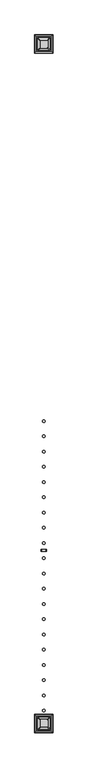
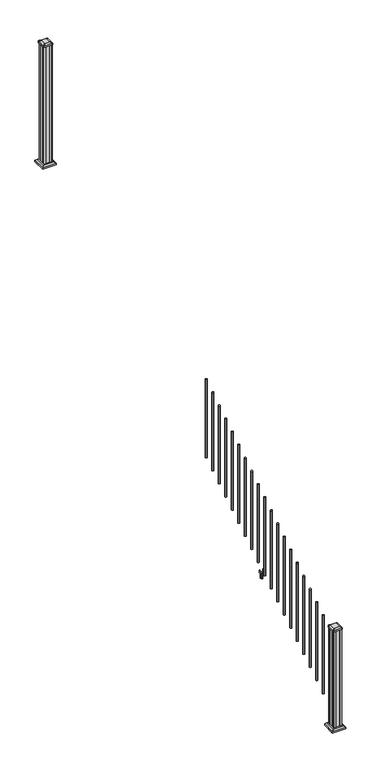
"""IFC4 building model written with IfcOpenShell, lengths in millimetres: railing geometry."""

from ifc_helpers import new_model, si_unit, point, frame, frame_2d, origin, place, context, project, spatial, polyline, circle_curve, trimmed, segment, composite_curve, outline, extrude, faceted_brep, source, transform, mapped, element, save
from ifc_brep_helpers import plane_surface, extruded_surface, advanced_brep


def railing_4edb070d(model_context):
    return source(origin(), model_context, "Body", "SolidModel", [
        extrude(outline(composite_curve([segment(trimmed(circle_curve(frame_2d((8384.9942659, -14647.7074681)), 9.525), [point((8375.4692659, -14647.7074681))], [point((8384.9942659, -14638.1824681))], False, "CARTESIAN"), True, "CONTINUOUS"), segment(trimmed(circle_curve(frame_2d((8384.9942659, -14647.7074681)), 9.525), [point((8384.9942659, -14638.1824681))], [point((8394.5192659, -14647.7074681))], False, "CARTESIAN"), True, "CONTINUOUS"), segment(trimmed(circle_curve(frame_2d((8384.9942659, -14647.7074681)), 9.525), [point((8394.5192659, -14647.7074681))], [point((8384.9942659, -14657.2324681))], False, "CARTESIAN"), True, "CONTINUOUS"), segment(trimmed(circle_curve(frame_2d((8384.9942659, -14647.7074681)), 9.525), [point((8384.9942659, -14657.2324681))], [point((8375.4692659, -14647.7074681))], False, "CARTESIAN"), True, "CONTINUOUS")], self_intersect=False)), frame((0.0, 0.0, 1645.9158781), z_axis=(0.0, 0.0, 1.0), x_axis=(1.0, 0.0, 0.0)), (0.0, 0.0, 1.0), 812.8041219),
        extrude(outline(composite_curve([segment(trimmed(circle_curve(frame_2d((8384.9942659, -14758.9594681)), 9.525), [point((8375.4692659, -14758.9594681))], [point((8384.9942659, -14749.4344681))], False, "CARTESIAN"), True, "CONTINUOUS"), segment(trimmed(circle_curve(frame_2d((8384.9942659, -14758.9594681)), 9.525), [point((8384.9942659, -14749.4344681))], [point((8394.5192659, -14758.9594681))], False, "CARTESIAN"), True, "CONTINUOUS"), segment(trimmed(circle_curve(frame_2d((8384.9942659, -14758.9594681)), 9.525), [point((8394.5192659, -14758.9594681))], [point((8384.9942659, -14768.4844681))], False, "CARTESIAN"), True, "CONTINUOUS"), segment(trimmed(circle_curve(frame_2d((8384.9942659, -14758.9594681)), 9.525), [point((8384.9942659, -14768.4844681))], [point((8375.4692659, -14758.9594681))], False, "CARTESIAN"), True, "CONTINUOUS")], self_intersect=False)), frame((0.0, 0.0, 1576.3833781), z_axis=(0.0, 0.0, 1.0), x_axis=(1.0, 0.0, 0.0)), (0.0, 0.0, 1.0), 812.8041219),
        extrude(outline(composite_curve([segment(trimmed(circle_curve(frame_2d((8384.9942659, -14870.2114681)), 9.525), [point((8375.4692659, -14870.2114681))], [point((8384.9942659, -14860.6864681))], False, "CARTESIAN"), True, "CONTINUOUS"), segment(trimmed(circle_curve(frame_2d((8384.9942659, -14870.2114681)), 9.525), [point((8384.9942659, -14860.6864681))], [point((8394.5192659, -14870.2114681))], False, "CARTESIAN"), True, "CONTINUOUS"), segment(trimmed(circle_curve(frame_2d((8384.9942659, -14870.2114681)), 9.525), [point((8394.5192659, -14870.2114681))], [point((8384.9942659, -14879.7364681))], False, "CARTESIAN"), True, "CONTINUOUS"), segment(trimmed(circle_curve(frame_2d((8384.9942659, -14870.2114681)), 9.525), [point((8384.9942659, -14879.7364681))], [point((8375.4692659, -14870.2114681))], False, "CARTESIAN"), True, "CONTINUOUS")], self_intersect=False)), frame((0.0, 0.0, 1506.8508781), z_axis=(0.0, 0.0, 1.0), x_axis=(1.0, 0.0, 0.0)), (0.0, 0.0, 1.0), 812.8041219),
        extrude(outline(composite_curve([segment(trimmed(circle_curve(frame_2d((8384.9942659, -14981.4634681)), 9.525), [point((8375.4692659, -14981.4634681))], [point((8384.9942659, -14971.9384681))], False, "CARTESIAN"), True, "CONTINUOUS"), segment(trimmed(circle_curve(frame_2d((8384.9942659, -14981.4634681)), 9.525), [point((8384.9942659, -14971.9384681))], [point((8394.5192659, -14981.4634681))], False, "CARTESIAN"), True, "CONTINUOUS"), segment(trimmed(circle_curve(frame_2d((8384.9942659, -14981.4634681)), 9.525), [point((8394.5192659, -14981.4634681))], [point((8384.9942659, -14990.9884681))], False, "CARTESIAN"), True, "CONTINUOUS"), segment(trimmed(circle_curve(frame_2d((8384.9942659, -14981.4634681)), 9.525), [point((8384.9942659, -14990.9884681))], [point((8375.4692659, -14981.4634681))], False, "CARTESIAN"), True, "CONTINUOUS")], self_intersect=False)), frame((0.0, 0.0, 1437.3183781), z_axis=(0.0, 0.0, 1.0), x_axis=(1.0, 0.0, 0.0)), (0.0, 0.0, 1.0), 812.8041219),
        extrude(outline(composite_curve([segment(trimmed(circle_curve(frame_2d((8384.9942659, -15092.7154681)), 9.525), [point((8375.4692659, -15092.7154681))], [point((8384.9942659, -15083.1904681))], False, "CARTESIAN"), True, "CONTINUOUS"), segment(trimmed(circle_curve(frame_2d((8384.9942659, -15092.7154681)), 9.525), [point((8384.9942659, -15083.1904681))], [point((8394.5192659, -15092.7154681))], False, "CARTESIAN"), True, "CONTINUOUS"), segment(trimmed(circle_curve(frame_2d((8384.9942659, -15092.7154681)), 9.525), [point((8394.5192659, -15092.7154681))], [point((8384.9942659, -15102.2404681))], False, "CARTESIAN"), True, "CONTINUOUS"), segment(trimmed(circle_curve(frame_2d((8384.9942659, -15092.7154681)), 9.525), [point((8384.9942659, -15102.2404681))], [point((8375.4692659, -15092.7154681))], False, "CARTESIAN"), True, "CONTINUOUS")], self_intersect=False)), frame((0.0, 0.0, 1367.7858781), z_axis=(0.0, 0.0, 1.0), x_axis=(1.0, 0.0, 0.0)), (0.0, 0.0, 1.0), 812.8041219),
        extrude(outline(composite_curve([segment(trimmed(circle_curve(frame_2d((8384.9942659, -15203.9674681)), 9.525), [point((8375.4692659, -15203.9674681))], [point((8384.9942659, -15194.4424681))], False, "CARTESIAN"), True, "CONTINUOUS"), segment(trimmed(circle_curve(frame_2d((8384.9942659, -15203.9674681)), 9.525), [point((8384.9942659, -15194.4424681))], [point((8394.5192659, -15203.9674681))], False, "CARTESIAN"), True, "CONTINUOUS"), segment(trimmed(circle_curve(frame_2d((8384.9942659, -15203.9674681)), 9.525), [point((8394.5192659, -15203.9674681))], [point((8384.9942659, -15213.4924681))], False, "CARTESIAN"), True, "CONTINUOUS"), segment(trimmed(circle_curve(frame_2d((8384.9942659, -15203.9674681)), 9.525), [point((8384.9942659, -15213.4924681))], [point((8375.4692659, -15203.9674681))], False, "CARTESIAN"), True, "CONTINUOUS")], self_intersect=False)), frame((0.0, 0.0, 1298.2533781), z_axis=(0.0, 0.0, 1.0), x_axis=(1.0, 0.0, 0.0)), (0.0, 0.0, 1.0), 812.8041219),
        extrude(outline(composite_curve([segment(trimmed(circle_curve(frame_2d((8384.9942659, -15315.2194681)), 9.525), [point((8375.4692659, -15315.2194681))], [point((8384.9942659, -15305.6944681))], False, "CARTESIAN"), True, "CONTINUOUS"), segment(trimmed(circle_curve(frame_2d((8384.9942659, -15315.2194681)), 9.525), [point((8384.9942659, -15305.6944681))], [point((8394.5192659, -15315.2194681))], False, "CARTESIAN"), True, "CONTINUOUS"), segment(trimmed(circle_curve(frame_2d((8384.9942659, -15315.2194681)), 9.525), [point((8394.5192659, -15315.2194681))], [point((8384.9942659, -15324.7444681))], False, "CARTESIAN"), True, "CONTINUOUS"), segment(trimmed(circle_curve(frame_2d((8384.9942659, -15315.2194681)), 9.525), [point((8384.9942659, -15324.7444681))], [point((8375.4692659, -15315.2194681))], False, "CARTESIAN"), True, "CONTINUOUS")], self_intersect=False)), frame((0.0, 0.0, 1228.7208781), z_axis=(0.0, 0.0, 1.0), x_axis=(1.0, 0.0, 0.0)), (0.0, 0.0, 1.0), 812.8041219),
        extrude(outline(composite_curve([segment(trimmed(circle_curve(frame_2d((8384.9942659, -15426.4714681)), 9.525), [point((8375.4692659, -15426.4714681))], [point((8384.9942659, -15416.9464681))], False, "CARTESIAN"), True, "CONTINUOUS"), segment(trimmed(circle_curve(frame_2d((8384.9942659, -15426.4714681)), 9.525), [point((8384.9942659, -15416.9464681))], [point((8394.5192659, -15426.4714681))], False, "CARTESIAN"), True, "CONTINUOUS"), segment(trimmed(circle_curve(frame_2d((8384.9942659, -15426.4714681)), 9.525), [point((8394.5192659, -15426.4714681))], [point((8384.9942659, -15435.9964681))], False, "CARTESIAN"), True, "CONTINUOUS"), segment(trimmed(circle_curve(frame_2d((8384.9942659, -15426.4714681)), 9.525), [point((8384.9942659, -15435.9964681))], [point((8375.4692659, -15426.4714681))], False, "CARTESIAN"), True, "CONTINUOUS")], self_intersect=False)), frame((0.0, 0.0, 1159.1883781), z_axis=(0.0, 0.0, 1.0), x_axis=(1.0, 0.0, 0.0)), (0.0, 0.0, 1.0), 812.8041219),
        extrude(outline(composite_curve([segment(trimmed(circle_curve(frame_2d((8384.9942659, -15537.7234681)), 9.525), [point((8375.4692659, -15537.7234681))], [point((8384.9942659, -15528.1984681))], False, "CARTESIAN"), True, "CONTINUOUS"), segment(trimmed(circle_curve(frame_2d((8384.9942659, -15537.7234681)), 9.525), [point((8384.9942659, -15528.1984681))], [point((8394.5192659, -15537.7234681))], False, "CARTESIAN"), True, "CONTINUOUS"), segment(trimmed(circle_curve(frame_2d((8384.9942659, -15537.7234681)), 9.525), [point((8394.5192659, -15537.7234681))], [point((8384.9942659, -15547.2484681))], False, "CARTESIAN"), True, "CONTINUOUS"), segment(trimmed(circle_curve(frame_2d((8384.9942659, -15537.7234681)), 9.525), [point((8384.9942659, -15547.2484681))], [point((8375.4692659, -15537.7234681))], False, "CARTESIAN"), True, "CONTINUOUS")], self_intersect=False)), frame((0.0, 0.0, 1089.6558781), z_axis=(0.0, 0.0, 1.0), x_axis=(1.0, 0.0, 0.0)), (0.0, 0.0, 1.0), 812.8041219),
        extrude(outline(polyline([(1041.2203979, 8403.1552647), (1041.2203979, 8401.1232651), (1040.2043953, 8400.1072653), (1029.7686081, 8400.1072653), (1028.7526073, 8401.1232651), (1016.762001, 8401.1232651), (1016.0000019, 8400.361266), (1016.0000019, 8369.6272648), (1016.762001, 8368.8652657), (1028.7526073, 8368.8652657), (1029.7686081, 8369.8812655), (1040.2043953, 8369.8812655), (1041.2203979, 8368.8652657), (1041.2203979, 8366.8332661), (1040.4583969, 8366.0712651), (1013.9680023, 8366.0712651), (1013.2060013, 8366.8332661), (1013.2060013, 8376.8662651), (1012.4440012, 8377.6282652), (953.262001, 8377.6282652), (952.5, 8378.3902663), (952.5, 8391.5982655), (953.2620001, 8392.3602656), (1012.4440012, 8392.3602656), (1013.2060013, 8393.1222657), (1013.2060013, 8403.1552647), (1013.9680023, 8403.9172657), (1040.4583969, 8403.9172657), (1041.2203979, 8403.1552647)]), holes=[polyline([(1013.2060013, 8381.5652655), (1013.2060013, 8388.4232653), (1012.4440012, 8389.1852654), (956.4370003, 8389.1852654), (955.6750031, 8388.4232682), (955.6750031, 8381.5652655), (956.4370031, 8380.8032654), (1012.4440012, 8380.8032654), (1013.2060013, 8381.5652655)])]), frame((0.0, -15600.7154681, 0.0), z_axis=(0.0, 1.0, 0.0), x_axis=(0.0, 0.0, 1.0)), (0.0, 0.0, 1.0), 14.732),
        extrude(outline(composite_curve([segment(trimmed(circle_curve(frame_2d((8384.9942659, -15648.9754681)), 9.525), [point((8375.4692659, -15648.9754681))], [point((8384.9942659, -15639.4504681))], False, "CARTESIAN"), True, "CONTINUOUS"), segment(trimmed(circle_curve(frame_2d((8384.9942659, -15648.9754681)), 9.525), [point((8384.9942659, -15639.4504681))], [point((8394.5192659, -15648.9754681))], False, "CARTESIAN"), True, "CONTINUOUS"), segment(trimmed(circle_curve(frame_2d((8384.9942659, -15648.9754681)), 9.525), [point((8394.5192659, -15648.9754681))], [point((8384.9942659, -15658.5004681))], False, "CARTESIAN"), True, "CONTINUOUS"), segment(trimmed(circle_curve(frame_2d((8384.9942659, -15648.9754681)), 9.525), [point((8384.9942659, -15658.5004681))], [point((8375.4692659, -15648.9754681))], False, "CARTESIAN"), True, "CONTINUOUS")], self_intersect=False)), frame((0.0, 0.0, 1020.1233781), z_axis=(0.0, 0.0, 1.0), x_axis=(1.0, 0.0, 0.0)), (0.0, 0.0, 1.0), 812.8041219),
        extrude(outline(composite_curve([segment(trimmed(circle_curve(frame_2d((8384.9942659, -15760.2274681)), 9.525), [point((8375.4692659, -15760.2274681))], [point((8384.9942659, -15750.7024681))], False, "CARTESIAN"), True, "CONTINUOUS"), segment(trimmed(circle_curve(frame_2d((8384.9942659, -15760.2274681)), 9.525), [point((8384.9942659, -15750.7024681))], [point((8394.5192659, -15760.2274681))], False, "CARTESIAN"), True, "CONTINUOUS"), segment(trimmed(circle_curve(frame_2d((8384.9942659, -15760.2274681)), 9.525), [point((8394.5192659, -15760.2274681))], [point((8384.9942659, -15769.7524681))], False, "CARTESIAN"), True, "CONTINUOUS"), segment(trimmed(circle_curve(frame_2d((8384.9942659, -15760.2274681)), 9.525), [point((8384.9942659, -15769.7524681))], [point((8375.4692659, -15760.2274681))], False, "CARTESIAN"), True, "CONTINUOUS")], self_intersect=False)), frame((0.0, 0.0, 950.5908781), z_axis=(0.0, 0.0, 1.0), x_axis=(1.0, 0.0, 0.0)), (0.0, 0.0, 1.0), 812.8041219),
        extrude(outline(composite_curve([segment(trimmed(circle_curve(frame_2d((8384.9942659, -15871.4794681)), 9.525), [point((8375.4692659, -15871.4794681))], [point((8384.9942659, -15861.9544681))], False, "CARTESIAN"), True, "CONTINUOUS"), segment(trimmed(circle_curve(frame_2d((8384.9942659, -15871.4794681)), 9.525), [point((8384.9942659, -15861.9544681))], [point((8394.5192659, -15871.4794681))], False, "CARTESIAN"), True, "CONTINUOUS"), segment(trimmed(circle_curve(frame_2d((8384.9942659, -15871.4794681)), 9.525), [point((8394.5192659, -15871.4794681))], [point((8384.9942659, -15881.0044681))], False, "CARTESIAN"), True, "CONTINUOUS"), segment(trimmed(circle_curve(frame_2d((8384.9942659, -15871.4794681)), 9.525), [point((8384.9942659, -15881.0044681))], [point((8375.4692659, -15871.4794681))], False, "CARTESIAN"), True, "CONTINUOUS")], self_intersect=False)), frame((0.0, 0.0, 881.0583781), z_axis=(0.0, 0.0, 1.0), x_axis=(1.0, 0.0, 0.0)), (0.0, 0.0, 1.0), 812.8041219),
        extrude(outline(composite_curve([segment(trimmed(circle_curve(frame_2d((8384.9942659, -15982.7314681)), 9.525), [point((8375.4692659, -15982.7314681))], [point((8384.9942659, -15973.2064681))], False, "CARTESIAN"), True, "CONTINUOUS"), segment(trimmed(circle_curve(frame_2d((8384.9942659, -15982.7314681)), 9.525), [point((8384.9942659, -15973.2064681))], [point((8394.5192659, -15982.7314681))], False, "CARTESIAN"), True, "CONTINUOUS"), segment(trimmed(circle_curve(frame_2d((8384.9942659, -15982.7314681)), 9.525), [point((8394.5192659, -15982.7314681))], [point((8384.9942659, -15992.2564681))], False, "CARTESIAN"), True, "CONTINUOUS"), segment(trimmed(circle_curve(frame_2d((8384.9942659, -15982.7314681)), 9.525), [point((8384.9942659, -15992.2564681))], [point((8375.4692659, -15982.7314681))], False, "CARTESIAN"), True, "CONTINUOUS")], self_intersect=False)), frame((0.0, 0.0, 811.5258781), z_axis=(0.0, 0.0, 1.0), x_axis=(1.0, 0.0, 0.0)), (0.0, 0.0, 1.0), 812.8041219),
        extrude(outline(composite_curve([segment(trimmed(circle_curve(frame_2d((8384.9942659, -16093.9834681)), 9.525), [point((8375.4692659, -16093.9834681))], [point((8384.9942659, -16084.4584681))], False, "CARTESIAN"), True, "CONTINUOUS"), segment(trimmed(circle_curve(frame_2d((8384.9942659, -16093.9834681)), 9.525), [point((8384.9942659, -16084.4584681))], [point((8394.5192659, -16093.9834681))], False, "CARTESIAN"), True, "CONTINUOUS"), segment(trimmed(circle_curve(frame_2d((8384.9942659, -16093.9834681)), 9.525), [point((8394.5192659, -16093.9834681))], [point((8384.9942659, -16103.5084681))], False, "CARTESIAN"), True, "CONTINUOUS"), segment(trimmed(circle_curve(frame_2d((8384.9942659, -16093.9834681)), 9.525), [point((8384.9942659, -16103.5084681))], [point((8375.4692659, -16093.9834681))], False, "CARTESIAN"), True, "CONTINUOUS")], self_intersect=False)), frame((0.0, 0.0, 741.9933781), z_axis=(0.0, 0.0, 1.0), x_axis=(1.0, 0.0, 0.0)), (0.0, 0.0, 1.0), 812.8041219),
        extrude(outline(composite_curve([segment(trimmed(circle_curve(frame_2d((8384.9942659, -16205.2354681)), 9.525), [point((8375.4692659, -16205.2354681))], [point((8384.9942659, -16195.7104681))], False, "CARTESIAN"), True, "CONTINUOUS"), segment(trimmed(circle_curve(frame_2d((8384.9942659, -16205.2354681)), 9.525), [point((8384.9942659, -16195.7104681))], [point((8394.5192659, -16205.2354681))], False, "CARTESIAN"), True, "CONTINUOUS"), segment(trimmed(circle_curve(frame_2d((8384.9942659, -16205.2354681)), 9.525), [point((8394.5192659, -16205.2354681))], [point((8384.9942659, -16214.7604681))], False, "CARTESIAN"), True, "CONTINUOUS"), segment(trimmed(circle_curve(frame_2d((8384.9942659, -16205.2354681)), 9.525), [point((8384.9942659, -16214.7604681))], [point((8375.4692659, -16205.2354681))], False, "CARTESIAN"), True, "CONTINUOUS")], self_intersect=False)), frame((0.0, 0.0, 672.4608781), z_axis=(0.0, 0.0, 1.0), x_axis=(1.0, 0.0, 0.0)), (0.0, 0.0, 1.0), 812.8041219),
        extrude(outline(composite_curve([segment(trimmed(circle_curve(frame_2d((8384.9942659, -16316.4874681)), 9.525), [point((8375.4692659, -16316.4874681))], [point((8384.9942659, -16306.9624681))], False, "CARTESIAN"), True, "CONTINUOUS"), segment(trimmed(circle_curve(frame_2d((8384.9942659, -16316.4874681)), 9.525), [point((8384.9942659, -16306.9624681))], [point((8394.5192659, -16316.4874681))], False, "CARTESIAN"), True, "CONTINUOUS"), segment(trimmed(circle_curve(frame_2d((8384.9942659, -16316.4874681)), 9.525), [point((8394.5192659, -16316.4874681))], [point((8384.9942659, -16326.0124681))], False, "CARTESIAN"), True, "CONTINUOUS"), segment(trimmed(circle_curve(frame_2d((8384.9942659, -16316.4874681)), 9.525), [point((8384.9942659, -16326.0124681))], [point((8375.4692659, -16316.4874681))], False, "CARTESIAN"), True, "CONTINUOUS")], self_intersect=False)), frame((0.0, 0.0, 602.9283781), z_axis=(0.0, 0.0, 1.0), x_axis=(1.0, 0.0, 0.0)), (0.0, 0.0, 1.0), 812.8041219),
        extrude(outline(composite_curve([segment(trimmed(circle_curve(frame_2d((8384.9942659, -16427.7394681)), 9.525), [point((8375.4692659, -16427.7394681))], [point((8384.9942659, -16418.2144681))], False, "CARTESIAN"), True, "CONTINUOUS"), segment(trimmed(circle_curve(frame_2d((8384.9942659, -16427.7394681)), 9.525), [point((8384.9942659, -16418.2144681))], [point((8394.5192659, -16427.7394681))], False, "CARTESIAN"), True, "CONTINUOUS"), segment(trimmed(circle_curve(frame_2d((8384.9942659, -16427.7394681)), 9.525), [point((8394.5192659, -16427.7394681))], [point((8384.9942659, -16437.2644681))], False, "CARTESIAN"), True, "CONTINUOUS"), segment(trimmed(circle_curve(frame_2d((8384.9942659, -16427.7394681)), 9.525), [point((8384.9942659, -16437.2644681))], [point((8375.4692659, -16427.7394681))], False, "CARTESIAN"), True, "CONTINUOUS")], self_intersect=False)), frame((0.0, 0.0, 533.3958781), z_axis=(0.0, 0.0, 1.0), x_axis=(1.0, 0.0, 0.0)), (0.0, 0.0, 1.0), 812.8041219),
        extrude(outline(composite_curve([segment(trimmed(circle_curve(frame_2d((8384.9942659, -16538.9914681)), 9.525), [point((8375.4692659, -16538.9914681))], [point((8384.9942659, -16529.4664681))], False, "CARTESIAN"), True, "CONTINUOUS"), segment(trimmed(circle_curve(frame_2d((8384.9942659, -16538.9914681)), 9.525), [point((8384.9942659, -16529.4664681))], [point((8394.5192659, -16538.9914681))], False, "CARTESIAN"), True, "CONTINUOUS"), segment(trimmed(circle_curve(frame_2d((8384.9942659, -16538.9914681)), 9.525), [point((8394.5192659, -16538.9914681))], [point((8384.9942659, -16548.5164681))], False, "CARTESIAN"), True, "CONTINUOUS"), segment(trimmed(circle_curve(frame_2d((8384.9942659, -16538.9914681)), 9.525), [point((8384.9942659, -16548.5164681))], [point((8375.4692659, -16538.9914681))], False, "CARTESIAN"), True, "CONTINUOUS")], self_intersect=False)), frame((0.0, 0.0, 463.8633781), z_axis=(0.0, 0.0, 1.0), x_axis=(1.0, 0.0, 0.0)), (0.0, 0.0, 1.0), 812.8041219),
        extrude(outline(composite_curve([segment(trimmed(circle_curve(frame_2d((8384.9942659, -16650.2434681)), 9.525), [point((8375.4692659, -16650.2434681))], [point((8384.9942659, -16640.7184681))], False, "CARTESIAN"), True, "CONTINUOUS"), segment(trimmed(circle_curve(frame_2d((8384.9942659, -16650.2434681)), 9.525), [point((8384.9942659, -16640.7184681))], [point((8394.5192659, -16650.2434681))], False, "CARTESIAN"), True, "CONTINUOUS"), segment(trimmed(circle_curve(frame_2d((8384.9942659, -16650.2434681)), 9.525), [point((8394.5192659, -16650.2434681))], [point((8384.9942659, -16659.7684681))], False, "CARTESIAN"), True, "CONTINUOUS"), segment(trimmed(circle_curve(frame_2d((8384.9942659, -16650.2434681)), 9.525), [point((8384.9942659, -16659.7684681))], [point((8375.4692659, -16650.2434681))], False, "CARTESIAN"), True, "CONTINUOUS")], self_intersect=False)), frame((0.0, 0.0, 394.3308781), z_axis=(0.0, 0.0, 1.0), x_axis=(1.0, 0.0, 0.0)), (0.0, 0.0, 1.0), 812.8041219),
        extrude(outline(composite_curve([segment(trimmed(circle_curve(frame_2d((8384.9942659, -16761.4954681)), 9.525), [point((8375.4692659, -16761.4954681))], [point((8384.9942659, -16751.9704681))], False, "CARTESIAN"), True, "CONTINUOUS"), segment(trimmed(circle_curve(frame_2d((8384.9942659, -16761.4954681)), 9.525), [point((8384.9942659, -16751.9704681))], [point((8394.5192659, -16761.4954681))], False, "CARTESIAN"), True, "CONTINUOUS"), segment(trimmed(circle_curve(frame_2d((8384.9942659, -16761.4954681)), 9.525), [point((8394.5192659, -16761.4954681))], [point((8384.9942659, -16771.0204681))], False, "CARTESIAN"), True, "CONTINUOUS"), segment(trimmed(circle_curve(frame_2d((8384.9942659, -16761.4954681)), 9.525), [point((8384.9942659, -16771.0204681))], [point((8375.4692659, -16761.4954681))], False, "CARTESIAN"), True, "CONTINUOUS")], self_intersect=False)), frame((0.0, 0.0, 324.7983781), z_axis=(0.0, 0.0, 1.0), x_axis=(1.0, 0.0, 0.0)), (0.0, 0.0, 1.0), 812.8041219),
        extrude(outline(polyline([(8424.6817659, -11936.8924681), (8405.0602659, -11936.8924681), (8404.2982659, -11935.3049681), (8365.6902659, -11935.3049681), (8364.9282659, -11936.8924681), (8345.3067659, -11936.8924681), (8343.7192659, -11935.3049681), (8343.7192659, -11915.6834681), (8345.3067659, -11914.9214681), (8345.3067659, -11876.3134681), (8343.7192659, -11875.5514681), (8343.7192659, -11855.9299681), (8345.3067659, -11854.3424681), (8364.9282659, -11854.3424681), (8365.6902659, -11855.9299681), (8404.2982659, -11855.9299681), (8405.0602659, -11854.3424681), (8424.6817659, -11854.3424681), (8426.2692659, -11855.9299681), (8426.2692659, -11875.5514681), (8424.6817659, -11876.3134681), (8424.6817659, -11914.9214681), (8426.2692659, -11915.6834681), (8426.2692659, -11935.3049681), (8424.6817659, -11936.8924681)])), frame((0.0, 0.0, 3048.0), z_axis=(0.0, 0.0, 1.0), x_axis=(1.0, 0.0, 0.0)), (0.0, 0.0, 1.0), 1247.740513),
        faceted_brep([(8332.4083284, -11948.2034056, 3076.575), (8437.5802034, -11948.2034056, 3076.575), (8437.5802034, -11843.0315306, 3076.575), (8332.4083284, -11843.0315306, 3076.575), (8318.3688753, -11962.2428587, 3063.24), (8318.3688753, -11828.9920775, 3063.24), (8451.6196565, -11828.9920775, 3063.24), (8451.6196565, -11962.2428587, 3063.24)], [[[0, 1, 2, 3]], [[4, 5, 6, 7]], [[4, 7, 1, 0]], [[7, 6, 2, 1]], [[6, 5, 3, 2]], [[5, 4, 0, 3]]]),
        extrude(outline(polyline([(8318.3688753, -11962.2428587), (8318.3688753, -11828.9920775), (8451.6196565, -11828.9920775), (8451.6196565, -11962.2428587), (8318.3688753, -11962.2428587)])), frame((0.0, 0.0, 3048.0), z_axis=(0.0, 0.0, 1.0), x_axis=(1.0, 0.0, 0.0)), (0.0, 0.0, 1.0), 15.24),
        advanced_brep(
        [(8410.7911409, -11924.5893431, 4324.315513), (8413.9661409, -11921.4143431, 4324.315513), (8413.9661409, -11869.8205931, 4324.315513), (8410.7911409, -11866.6455931, 4324.315513), (8359.1973909, -11866.6455931, 4324.315513), (8356.0223909, -11869.8205931, 4324.315513), (8356.0223909, -11921.4143431, 4324.315513), (8359.1973909, -11924.5893431, 4324.315513), (8427.0630159, -11940.8612181, 4313.012513), (8342.9255159, -11940.8612181, 4313.012513), (8339.7505159, -11937.6862181, 4313.012513), (8339.7505159, -11853.5487181, 4313.012513), (8342.9255159, -11850.3737181, 4313.012513), (8427.0630159, -11850.3737181, 4313.012513), (8430.2380159, -11853.5487181, 4313.012513), (8430.2380159, -11937.6862181, 4313.012513)],
        [
            (0, 1, circle_curve(frame((8410.7911409, -11921.4143431, 4324.315513), z_axis=(0.0, 0.0, 1.0), x_axis=(0.0, 1.0, 0.0)), 3.175)),
            (1, 2),
            (2, 3, circle_curve(frame((8410.7911409, -11869.8205931, 4324.315513), z_axis=(0.0, 0.0, 1.0), x_axis=(0.0, 1.0, 0.0)), 3.175)),
            (3, 4),
            (4, 5, circle_curve(frame((8359.1973909, -11869.8205931, 4324.315513), z_axis=(0.0, 0.0, 1.0), x_axis=(0.0, 1.0, 0.0)), 3.175)),
            (5, 6),
            (6, 7, circle_curve(frame((8359.1973909, -11921.4143431, 4324.315513), z_axis=(0.0, 0.0, 1.0), x_axis=(0.0, 1.0, 0.0)), 3.175)),
            (7, 0),
            (8, 9),
            (9, 10, circle_curve(frame((8342.9255159, -11937.6862181, 4313.012513), z_axis=(0.0, 0.0, -1.0), x_axis=(0.0, 1.0, 0.0)), 3.175)),
            (10, 11),
            (11, 12, circle_curve(frame((8342.9255159, -11853.5487181, 4313.012513), z_axis=(0.0, 0.0, -1.0), x_axis=(0.0, 1.0, 0.0)), 3.175)),
            (12, 13),
            (13, 14, circle_curve(frame((8427.0630159, -11853.5487181, 4313.012513), z_axis=(0.0, 0.0, -1.0), x_axis=(0.0, 1.0, 0.0)), 3.175)),
            (14, 15),
            (15, 8, circle_curve(frame((8427.0630159, -11937.6862181, 4313.012513), z_axis=(0.0, 0.0, -1.0), x_axis=(0.0, 1.0, 0.0)), 3.175)),
            (15, 1),
            (0, 8),
            (14, 2),
            (13, 3),
            (12, 4),
            (11, 5),
            (10, 6),
            (9, 7),
        ],
        [
            plane_surface(frame((8384.9942659, -11895.6174681, 4324.315513), z_axis=(0.0, 0.0, 1.0), x_axis=(1.0, 0.0, 0.0))),
            plane_surface(frame((8384.9942659, -11895.6174681, 4313.012513), z_axis=(0.0, 0.0, -1.0), x_axis=(1.0, 0.0, 0.0))),
            extruded_surface(trimmed(circle_curve(frame((8427.0630159, -11937.6862181, 4313.012513), z_axis=(0.0, 0.0, 1.0), x_axis=(0.0, 1.0, 0.0)), 3.175), [point((8427.0630159, -11940.8612181, 4313.012513))], [point((8430.2380159, -11937.6862181, 4313.012513))], True, "CARTESIAN"), (-16.271874999998545, 16.271875000000364, 11.302999999999884), 25.63797263886542),
            plane_surface(frame((8430.2380159, -11895.6174681, 4313.012513), z_axis=(0.5705009161540687, 0.0, 0.8212969649690472), x_axis=(0.0, 1.0, 0.0))),
            extruded_surface(trimmed(circle_curve(frame((8427.0630159, -11853.5487181, 4313.012513), z_axis=(0.0, 0.0, 1.0), x_axis=(0.0, 1.0, 0.0)), 3.175), [point((8430.2380159, -11853.5487181, 4313.012513))], [point((8427.0630159, -11850.3737181, 4313.012513))], True, "CARTESIAN"), (-16.271874999998545, -16.271874999998545, 11.302999999999884), 25.637972638864262),
            plane_surface(frame((8384.9942659, -11850.3737181, 4313.012513), z_axis=(0.0, 0.5705009161540291, 0.8212969649690747), x_axis=(-1.0, 0.0, 0.0))),
            extruded_surface(trimmed(circle_curve(frame((8342.9255159, -11853.5487181, 4313.012513), z_axis=(0.0, 0.0, 1.0), x_axis=(0.0, 1.0, 0.0)), 3.175), [point((8342.9255159, -11850.3737181, 4313.012513))], [point((8339.7505159, -11853.5487181, 4313.012513))], True, "CARTESIAN"), (16.271875000000364, -16.271874999998545, 11.302999999999884), 25.63797263886542),
            plane_surface(frame((8339.7505159, -11895.6174681, 4313.012513), z_axis=(-0.5705009161540233, 0.0, 0.8212969649690787), x_axis=(0.0, -1.0, 0.0))),
            extruded_surface(trimmed(circle_curve(frame((8342.9255159, -11937.6862181, 4313.012513), z_axis=(0.0, 0.0, 1.0), x_axis=(0.0, 1.0, 0.0)), 3.175), [point((8339.7505159, -11937.6862181, 4313.012513))], [point((8342.9255159, -11940.8612181, 4313.012513))], True, "CARTESIAN"), (16.271875000000364, 16.271875000000364, 11.302999999999884), 25.63797263886657),
            plane_surface(frame((8384.9942659, -11940.8612181, 4313.012513), z_axis=(0.0, -0.570500916154034, 0.8212969649690713), x_axis=(1.0, 0.0, 0.0))),
        ],
        [
            (0, [[1, 2, 3, 4, 5, 6, 7, 8]]),
            (1, [[9, 10, 11, 12, 13, 14, 15, 16]]),
            (2, [[-16, 17, -1, 18]]),
            (3, [[-15, 19, -2, -17]]),
            (4, [[-14, 20, -3, -19]]),
            (5, [[-13, 21, -4, -20]]),
            (6, [[-12, 22, -5, -21]]),
            (7, [[-11, 23, -6, -22]]),
            (8, [[-10, 24, -7, -23]]),
            (9, [[-9, -18, -8, -24]]),
        ],
    ),
        extrude(outline(composite_curve([segment(polyline([(8427.0630159, -11940.8612181), (8342.9255159, -11940.8612181)]), True, "CONTINUOUS"), segment(trimmed(circle_curve(frame_2d((8342.9255159, -11937.6862181)), 3.175), [point((8342.9255159, -11940.8612181))], [point((8339.7505159, -11937.6862181))], False, "CARTESIAN"), True, "CONTINUOUS"), segment(polyline([(8339.7505159, -11937.6862181), (8339.7505159, -11853.5487181)]), True, "CONTINUOUS"), segment(trimmed(circle_curve(frame_2d((8342.9255159, -11853.5487181)), 3.175), [point((8339.7505159, -11853.5487181))], [point((8342.9255159, -11850.3737181))], False, "CARTESIAN"), True, "CONTINUOUS"), segment(polyline([(8342.9255159, -11850.3737181), (8427.0630159, -11850.3737181)]), True, "CONTINUOUS"), segment(trimmed(circle_curve(frame_2d((8427.0630159, -11853.5487181)), 3.175), [point((8427.0630159, -11850.3737181))], [point((8430.2380159, -11853.5487181))], False, "CARTESIAN"), True, "CONTINUOUS"), segment(polyline([(8430.2380159, -11853.5487181), (8430.2380159, -11937.6862181)]), True, "CONTINUOUS"), segment(trimmed(circle_curve(frame_2d((8427.0630159, -11937.6862181)), 3.175), [point((8430.2380159, -11937.6862181))], [point((8427.0630159, -11940.8612181))], False, "CARTESIAN"), True, "CONTINUOUS")], self_intersect=False)), frame((0.0, 0.0, 4295.740513), z_axis=(0.0, 0.0, 1.0), x_axis=(1.0, 0.0, 0.0)), (0.0, 0.0, 1.0), 17.272),
        faceted_brep([(8332.4083284, -16907.8074056, 193.19875), (8437.5802034, -16907.8074056, 193.19875), (8437.5802034, -16802.6355306, 193.19875), (8332.4083284, -16802.6355306, 193.19875), (8318.3688753, -16921.8468587, 179.86375), (8318.3688753, -16788.5960775, 179.86375), (8451.6196565, -16788.5960775, 179.86375), (8451.6196565, -16921.8468587, 179.86375)], [[[0, 1, 2, 3]], [[4, 5, 6, 7]], [[4, 7, 1, 0]], [[7, 6, 2, 1]], [[6, 5, 3, 2]], [[5, 4, 0, 3]]]),
        extrude(outline(polyline([(8318.3688753, -16921.8468587), (8318.3688753, -16788.5960775), (8451.6196565, -16788.5960775), (8451.6196565, -16921.8468587), (8318.3688753, -16921.8468587)])), frame((0.0, 0.0, 164.62375), z_axis=(0.0, 0.0, 1.0), x_axis=(1.0, 0.0, 0.0)), (0.0, 0.0, 1.0), 15.24),
        advanced_brep(
        [(8410.7911409, -16884.1933431, 1224.563013), (8413.9661409, -16881.0183431, 1224.563013), (8413.9661409, -16829.4245931, 1224.563013), (8410.7911409, -16826.2495931, 1224.563013), (8359.1973909, -16826.2495931, 1224.563013), (8356.0223909, -16829.4245931, 1224.563013), (8356.0223909, -16881.0183431, 1224.563013), (8359.1973909, -16884.1933431, 1224.563013), (8427.0630159, -16900.4652181, 1213.260013), (8342.9255159, -16900.4652181, 1213.260013), (8339.7505159, -16897.2902181, 1213.260013), (8339.7505159, -16813.1527181, 1213.260013), (8342.9255159, -16809.9777181, 1213.260013), (8427.0630159, -16809.9777181, 1213.260013), (8430.2380159, -16813.1527181, 1213.260013), (8430.2380159, -16897.2902181, 1213.260013)],
        [
            (0, 1, circle_curve(frame((8410.7911409, -16881.0183431, 1224.563013), z_axis=(0.0, 0.0, 1.0), x_axis=(0.0, 1.0, 0.0)), 3.175)),
            (1, 2),
            (2, 3, circle_curve(frame((8410.7911409, -16829.4245931, 1224.563013), z_axis=(0.0, 0.0, 1.0), x_axis=(0.0, 1.0, 0.0)), 3.175)),
            (3, 4),
            (4, 5, circle_curve(frame((8359.1973909, -16829.4245931, 1224.563013), z_axis=(0.0, 0.0, 1.0), x_axis=(0.0, 1.0, 0.0)), 3.175)),
            (5, 6),
            (6, 7, circle_curve(frame((8359.1973909, -16881.0183431, 1224.563013), z_axis=(0.0, 0.0, 1.0), x_axis=(0.0, 1.0, 0.0)), 3.175)),
            (7, 0),
            (8, 9),
            (9, 10, circle_curve(frame((8342.9255159, -16897.2902181, 1213.260013), z_axis=(0.0, 0.0, -1.0), x_axis=(0.0, 1.0, 0.0)), 3.175)),
            (10, 11),
            (11, 12, circle_curve(frame((8342.9255159, -16813.1527181, 1213.260013), z_axis=(0.0, 0.0, -1.0), x_axis=(0.0, 1.0, 0.0)), 3.175)),
            (12, 13),
            (13, 14, circle_curve(frame((8427.0630159, -16813.1527181, 1213.260013), z_axis=(0.0, 0.0, -1.0), x_axis=(0.0, 1.0, 0.0)), 3.175)),
            (14, 15),
            (15, 8, circle_curve(frame((8427.0630159, -16897.2902181, 1213.260013), z_axis=(0.0, 0.0, -1.0), x_axis=(0.0, 1.0, 0.0)), 3.175)),
            (15, 1),
            (0, 8),
            (14, 2),
            (13, 3),
            (12, 4),
            (11, 5),
            (10, 6),
            (9, 7),
        ],
        [
            plane_surface(frame((8384.9942659, -16855.2214681, 1224.563013), z_axis=(0.0, 0.0, 1.0), x_axis=(1.0, 0.0, 0.0))),
            plane_surface(frame((8384.9942659, -16855.2214681, 1213.260013), z_axis=(0.0, 0.0, -1.0), x_axis=(1.0, 0.0, 0.0))),
            extruded_surface(trimmed(circle_curve(frame((8427.0630159, -16897.2902181, 1213.260013), z_axis=(0.0, 0.0, 1.0), x_axis=(0.0, 1.0, 0.0)), 3.175), [point((8427.0630159, -16900.4652181, 1213.260013))], [point((8430.2380159, -16897.2902181, 1213.260013))], True, "CARTESIAN"), (-16.271874999998545, 16.271874999998545, 11.302999999999884), 25.637972638864262),
            plane_surface(frame((8430.2380159, -16855.2214681, 1213.260013), z_axis=(0.5705009161540778, 0.0, 0.8212969649690408), x_axis=(0.0, 1.0, 0.0))),
            extruded_surface(trimmed(circle_curve(frame((8427.0630159, -16813.1527181, 1213.260013), z_axis=(0.0, 0.0, 1.0), x_axis=(0.0, 1.0, 0.0)), 3.175), [point((8430.2380159, -16813.1527181, 1213.260013))], [point((8427.0630159, -16809.9777181, 1213.260013))], True, "CARTESIAN"), (-16.271874999998545, -16.271875000002183, 11.302999999999884), 25.637972638866575),
            plane_surface(frame((8384.9942659, -16809.9777181, 1213.260013), z_axis=(0.0, 0.5705009161540291, 0.8212969649690747), x_axis=(-1.0, 0.0, 0.0))),
            extruded_surface(trimmed(circle_curve(frame((8342.9255159, -16813.1527181, 1213.260013), z_axis=(0.0, 0.0, 1.0), x_axis=(0.0, 1.0, 0.0)), 3.175), [point((8342.9255159, -16809.9777181, 1213.260013))], [point((8339.7505159, -16813.1527181, 1213.260013))], True, "CARTESIAN"), (16.271875000000364, -16.271875000002183, 11.302999999999884), 25.637972638867726),
            plane_surface(frame((8339.7505159, -16855.2214681, 1213.260013), z_axis=(-0.5705009161540142, 0.0, 0.8212969649690851), x_axis=(0.0, -1.0, 0.0))),
            extruded_surface(trimmed(circle_curve(frame((8342.9255159, -16897.2902181, 1213.260013), z_axis=(0.0, 0.0, 1.0), x_axis=(0.0, 1.0, 0.0)), 3.175), [point((8339.7505159, -16897.2902181, 1213.260013))], [point((8342.9255159, -16900.4652181, 1213.260013))], True, "CARTESIAN"), (16.271875000000364, 16.271874999998545, 11.302999999999884), 25.63797263886542),
            plane_surface(frame((8384.9942659, -16900.4652181, 1213.260013), z_axis=(0.0, -0.570500916154034, 0.8212969649690713), x_axis=(1.0, 0.0, 0.0))),
        ],
        [
            (0, [[1, 2, 3, 4, 5, 6, 7, 8]]),
            (1, [[9, 10, 11, 12, 13, 14, 15, 16]]),
            (2, [[-16, 17, -1, 18]]),
            (3, [[-15, 19, -2, -17]]),
            (4, [[-14, 20, -3, -19]]),
            (5, [[-13, 21, -4, -20]]),
            (6, [[-12, 22, -5, -21]]),
            (7, [[-11, 23, -6, -22]]),
            (8, [[-10, 24, -7, -23]]),
            (9, [[-9, -18, -8, -24]]),
        ],
    ),
        extrude(outline(composite_curve([segment(polyline([(8427.0630159, -16900.4652181), (8342.9255159, -16900.4652181)]), True, "CONTINUOUS"), segment(trimmed(circle_curve(frame_2d((8342.9255159, -16897.2902181)), 3.175), [point((8342.9255159, -16900.4652181))], [point((8339.7505159, -16897.2902181))], False, "CARTESIAN"), True, "CONTINUOUS"), segment(polyline([(8339.7505159, -16897.2902181), (8339.7505159, -16813.1527181)]), True, "CONTINUOUS"), segment(trimmed(circle_curve(frame_2d((8342.9255159, -16813.1527181)), 3.175), [point((8339.7505159, -16813.1527181))], [point((8342.9255159, -16809.9777181))], False, "CARTESIAN"), True, "CONTINUOUS"), segment(polyline([(8342.9255159, -16809.9777181), (8427.0630159, -16809.9777181)]), True, "CONTINUOUS"), segment(trimmed(circle_curve(frame_2d((8427.0630159, -16813.1527181)), 3.175), [point((8427.0630159, -16809.9777181))], [point((8430.2380159, -16813.1527181))], False, "CARTESIAN"), True, "CONTINUOUS"), segment(polyline([(8430.2380159, -16813.1527181), (8430.2380159, -16897.2902181)]), True, "CONTINUOUS"), segment(trimmed(circle_curve(frame_2d((8427.0630159, -16897.2902181)), 3.175), [point((8430.2380159, -16897.2902181))], [point((8427.0630159, -16900.4652181))], False, "CARTESIAN"), True, "CONTINUOUS")], self_intersect=False)), frame((0.0, 0.0, 1195.988013), z_axis=(0.0, 0.0, 1.0), x_axis=(1.0, 0.0, 0.0)), (0.0, 0.0, 1.0), 17.272),
        extrude(outline(polyline([(8424.6817659, -16896.4964681), (8405.0602659, -16896.4964681), (8404.2982659, -16894.9089681), (8365.6902659, -16894.9089681), (8364.9282659, -16896.4964681), (8345.3067659, -16896.4964681), (8343.7192659, -16894.9089681), (8343.7192659, -16875.2874681), (8345.3067659, -16874.5254681), (8345.3067659, -16835.9174681), (8343.7192659, -16835.1554681), (8343.7192659, -16815.5339681), (8345.3067659, -16813.9464681), (8364.9282659, -16813.9464681), (8365.6902659, -16815.5339681), (8404.2982659, -16815.5339681), (8405.0602659, -16813.9464681), (8424.6817659, -16813.9464681), (8426.2692659, -16815.5339681), (8426.2692659, -16835.1554681), (8424.6817659, -16835.9174681), (8424.6817659, -16874.5254681), (8426.2692659, -16875.2874681), (8426.2692659, -16894.9089681), (8424.6817659, -16896.4964681)])), frame((0.0, 0.0, 164.62375), z_axis=(0.0, 0.0, 1.0), x_axis=(1.0, 0.0, 0.0)), (0.0, 0.0, 1.0), 1031.364263),
    ])


if __name__ == "__main__":
    model = new_model("IFC4")
    model_context = context("Model", 3, world=origin())
    ifc_project = project(units=[si_unit("LENGTHUNIT", "METRE", prefix="MILLI")], contexts=[model_context])
    site = spatial("IfcSite", under=ifc_project)
    building = spatial("IfcBuilding", under=site)
    placement = place(None, origin())
    railing_shape = railing_4edb070d(model_context)
    element("IfcRailing", 1, at=placement, inside=building, context=model_context, shape_type="MappedRepresentation", body=[
        mapped(railing_shape, transform((0.0, 0.0, 0.0), x_axis=(1.0, 0.0, 0.0), y_axis=(0.0, 1.0, 0.0), z_axis=(0.0, 0.0, 1.0))),
    ])
    save(model, "model.ifc")
